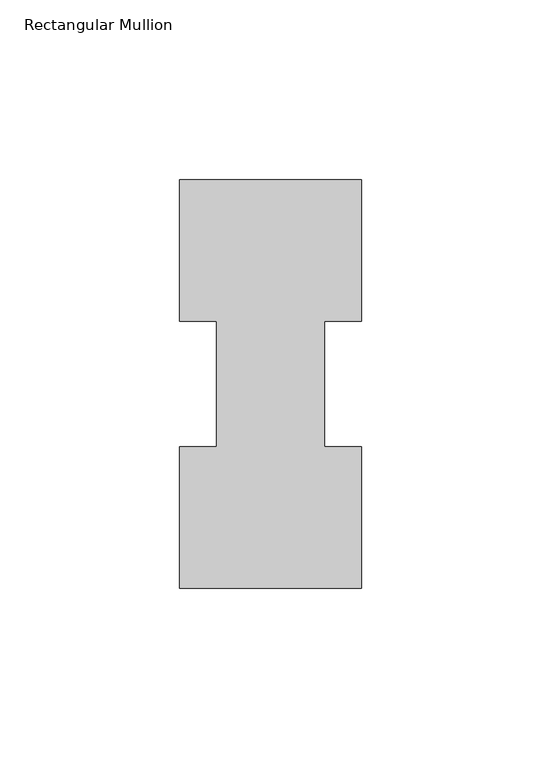
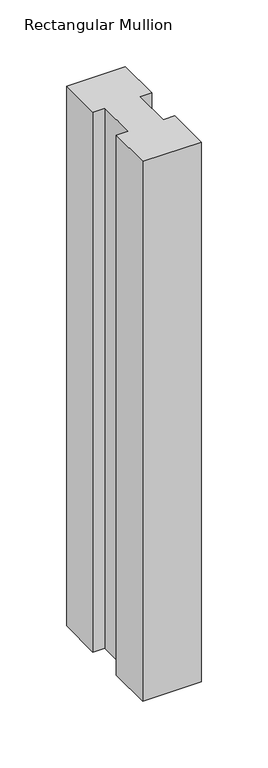
"""IFC4 building model written with IfcOpenShell, lengths in millimetres: member geometry, Rectangular Mullion."""

from ifc_helpers import new_model, si_unit, frame, origin, place, context, project, spatial, polyline, outline, extrude, source, transform, mapped, element, save


def rectangular_mullion_1232076f(model_context):
    return source(origin(), model_context, "Body", "SweptSolid", [
        extrude(outline(polyline([(-50.8, 113.8189875), (0.0, 113.8189875), (0.0, 74.4235875), (-10.3124046, 74.4235875), (-10.3124046, 39.4477875), (0.0, 39.4477875), (0.0, 0.0269875), (-50.8, 0.0269875), (-50.8, 39.4477875), (-40.4875954, 39.4477875), (-40.4875954, 74.4235875), (-50.8, 74.4235875), (-50.8, 113.8189875)])), frame((0.0, 0.0, -494.2416667), z_axis=(0.0, 0.0, 1.0), x_axis=(1.0, 0.0, 0.0)), (0.0, 0.0, 1.0), 494.2416667),
    ])


if __name__ == "__main__":
    model = new_model("IFC4")
    model_context = context("Model", 3, world=origin())
    ifc_project = project(units=[si_unit("LENGTHUNIT", "METRE", prefix="MILLI")], contexts=[model_context])
    site = spatial("IfcSite", under=ifc_project)
    building = spatial("IfcBuilding", under=site)
    placement = place(None, origin())
    rectangular_mullion_shape = rectangular_mullion_1232076f(model_context)
    element("IfcMember", 1, ObjectType="Rectangular Mullion", at=placement, inside=building, context=model_context, shape_type="MappedRepresentation", body=[
        mapped(rectangular_mullion_shape, transform((0.0, 0.0, 0.0), x_axis=(1.0, 0.0, 0.0), y_axis=(0.0, 1.0, 0.0), z_axis=(0.0, 0.0, 1.0))),
    ])
    save(model, "model.ifc")
